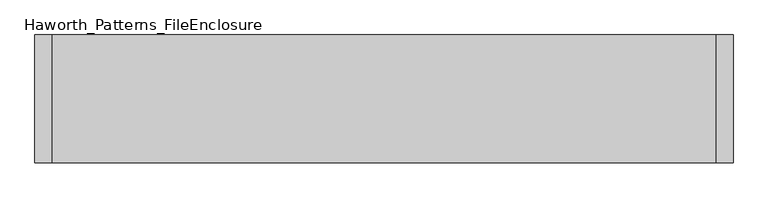
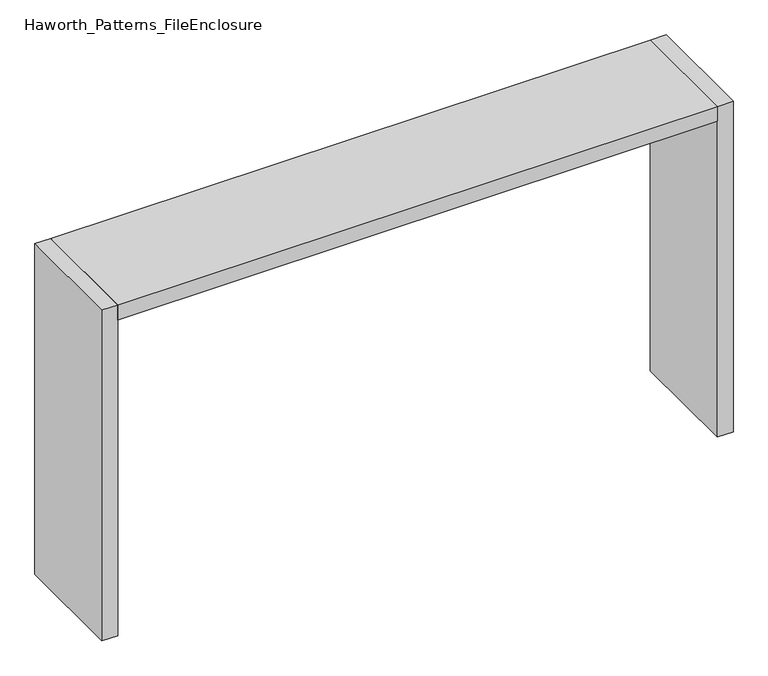
"""IFC4 building model written with IfcOpenShell, lengths in millimetres: furniture geometry, Haworth_Patterns_FileEnclosure."""

from ifc_helpers import new_model, si_unit, frame, origin, origin_with_axes, place, context, project, spatial, polyline, outline, extrude, source, transform, mapped, element, save


def haworth_patterns_fileenclosure_1801ae68(model_context):
    return source(origin(), model_context, "Body", "SweptSolid", [
        extrude(outline(polyline([(1447.8, 0.0), (1447.8, -558.8), (-1447.8, -558.8), (-1447.8, 0.0), (1447.8, 0.0)])), frame((0.0, 0.0, 1612.9), z_axis=(0.0, 0.0, 1.0), x_axis=(1.0, 0.0, 0.0)), (0.0, 0.0, 1.0), 76.2),
        extrude(outline(polyline([(1447.8, 0.0), (1524.0, 0.0), (1524.0, -558.8), (1447.8, -558.8), (1447.8, 0.0)])), origin_with_axes(), (0.0, 0.0, 1.0), 1689.1),
        extrude(outline(polyline([(-1447.8, 0.0), (-1447.8, -558.8), (-1524.0, -558.8), (-1524.0, 0.0), (-1447.8, 0.0)])), origin_with_axes(), (0.0, 0.0, 1.0), 1689.1),
    ])


if __name__ == "__main__":
    model = new_model("IFC4")
    model_context = context("Model", 3, world=origin())
    ifc_project = project(units=[si_unit("LENGTHUNIT", "METRE", prefix="MILLI")], contexts=[model_context])
    site = spatial("IfcSite", under=ifc_project)
    building = spatial("IfcBuilding", under=site)
    placement = place(None, origin())
    haworth_patterns_fileenclosure_shape = haworth_patterns_fileenclosure_1801ae68(model_context)
    element("IfcFurniture", 1, ObjectType="Haworth_Patterns_FileEnclosure", at=placement, inside=building, context=model_context, shape_type="MappedRepresentation", body=[
        mapped(haworth_patterns_fileenclosure_shape, transform((0.0, 0.0, 0.0), x_axis=(1.0, 0.0, 0.0), y_axis=(0.0, 1.0, 0.0), z_axis=(0.0, 0.0, 1.0))),
    ])
    save(model, "model.ifc")
